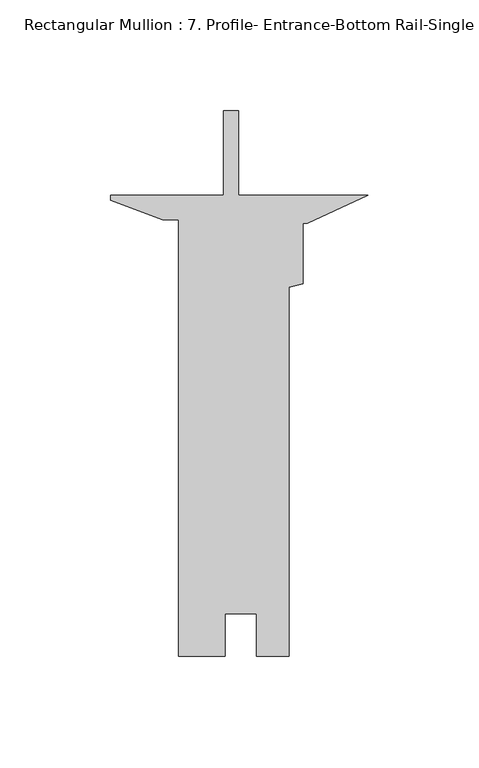
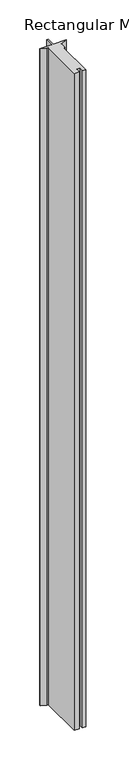
"""IFC4 building model written with IfcOpenShell, lengths in millimetres: member geometry, Rectangular Mullion : 7. Profile- Entrance-Bottom Rail-Single Acting- Detail-2."""

from ifc_helpers import new_model, si_unit, frame, origin, place, context, project, spatial, polyline, outline, extrude, source, transform, mapped, element, save


def rectangular_mullion_7_profile_entrance_bottom_rail_single_f2adf74e(model_context):
    return source(origin(), model_context, "Body", "SweptSolid", [
        extrude(outline(polyline([(-116.2538462, -2.3800236), (-116.2538462, 0.0), (-65.3347837, 0.0), (-65.3347837, 38.0987736), (-58.6037837, 38.0987736), (-58.6037837, 0.0012264), (0.0, 0.0012264), (-27.3538462, -12.6987736), (-29.4493462, -12.6987736), (-29.4493462, -39.9380562), (-35.7993462, -41.6395336), (-35.7993462, -207.9625449), (-50.3916462, -207.9625449), (-50.3916462, -188.9379449), (-64.708345, -188.9379449), (-64.708345, -207.9625436), (-85.5833462, -207.9625436), (-85.5833462, -11.1112736), (-92.8382212, -11.1112736), (-116.2538462, -2.3800236)])), frame((0.0, 0.0, -3048.0), z_axis=(0.0, 0.0, 1.0), x_axis=(1.0, 0.0, 0.0)), (0.0, 0.0, 1.0), 3048.0),
    ])


if __name__ == "__main__":
    model = new_model("IFC4")
    model_context = context("Model", 3, world=origin())
    ifc_project = project(units=[si_unit("LENGTHUNIT", "METRE", prefix="MILLI")], contexts=[model_context])
    site = spatial("IfcSite", under=ifc_project)
    building = spatial("IfcBuilding", under=site)
    placement = place(None, origin())
    rectangular_mullion_7_profile_entrance_bottom_rail_single_shape = rectangular_mullion_7_profile_entrance_bottom_rail_single_f2adf74e(model_context)
    element("IfcMember", 1, ObjectType="Rectangular Mullion : 7. Profile- Entrance-Bottom Rail-Single Acting- Detail-2", at=placement, inside=building, context=model_context, shape_type="MappedRepresentation", body=[
        mapped(rectangular_mullion_7_profile_entrance_bottom_rail_single_shape, transform((0.0, 0.0, 0.0), x_axis=(1.0, 0.0, 0.0), y_axis=(0.0, 1.0, 0.0), z_axis=(0.0, 0.0, 1.0))),
    ])
    save(model, "model.ifc")
